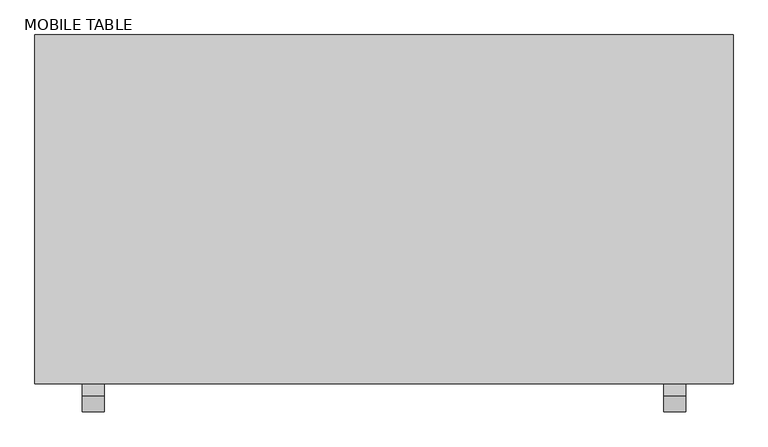
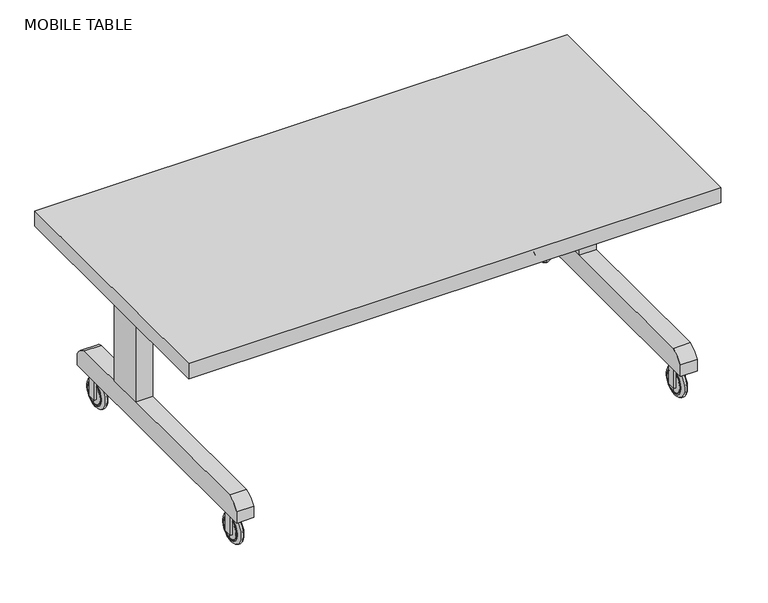
"""IFC4 building model written with IfcOpenShell, lengths in millimetres: proxy geometry, MOBILE TABLE."""

from ifc_helpers import new_model, si_unit, point, frame, frame_2d, origin, place, context, project, spatial, polyline, circle_curve, ellipse_curve, trimmed, segment, composite_curve, outline, extrude, source, transform, mapped, element, save
from ifc_brep_helpers import plane_surface, revolved_surface, advanced_brep


def mobile_table_e47c9fc5(model_context):
    return source(origin(), model_context, "Body", "SolidModel", [
        extrude(outline(polyline([(284.5246761, -5.5939824), (284.5246761, -132.5939824), (226.5605315, -132.5939824), (226.5605315, -5.5939824), (284.5246761, -5.5939824)])), frame((0.0, 0.0, 196.9224342), z_axis=(0.0, 0.0, 1.0), x_axis=(1.0, 0.0, 0.0)), (0.0, 0.0, 1.0), 371.1429789),
        extrude(outline(polyline([(1808.5781928, -5.5939824), (1808.5781928, -132.5939824), (1750.6140482, -132.5939824), (1750.6140482, -5.5939824), (1808.5781928, -5.5939824)])), frame((0.0, 0.0, 196.9224342), z_axis=(0.0, 0.0, 1.0), x_axis=(1.0, 0.0, 0.0)), (0.0, 0.0, 1.0), 371.1429789),
        extrude(outline(composite_curve([segment(polyline([(216.0169439, 120.7224342), (-733.4720269, 120.7224342), (-733.4720269, 161.9653123)]), True, "CONTINUOUS"), segment(trimmed(circle_curve(frame_2d((-668.627118, 126.366821)), 73.973744), [point((-733.4720269, 161.9653123))], [point((-690.8536842, 196.9224342))], False, "CARTESIAN"), True, "CONTINUOUS"), segment(polyline([(-690.8536842, 196.9224342), (173.3986011, 196.9224342)]), True, "CONTINUOUS"), segment(trimmed(circle_curve(frame_2d((151.1720349, 126.366821)), 73.973744), [point((173.3986011, 196.9224342))], [point((216.0169439, 161.9653123))], False, "CARTESIAN"), True, "CONTINUOUS"), segment(polyline([(216.0169439, 161.9653123), (216.0169439, 120.7224342)]), True, "CONTINUOUS")], self_intersect=False)), frame((226.5605315, 0.0, 0.0), z_axis=(1.0, 0.0, 0.0), x_axis=(0.0, 1.0, 0.0)), (0.0, 0.0, 1.0), 57.9641446),
        extrude(outline(composite_curve([segment(polyline([(216.0169439, 120.7224342), (-733.4720269, 120.7224342), (-733.4720269, 161.9653123)]), True, "CONTINUOUS"), segment(trimmed(circle_curve(frame_2d((-668.627118, 126.366821)), 73.973744), [point((-733.4720269, 161.9653123))], [point((-690.8536842, 196.9224342))], False, "CARTESIAN"), True, "CONTINUOUS"), segment(polyline([(-690.8536842, 196.9224342), (173.3986011, 196.9224342)]), True, "CONTINUOUS"), segment(trimmed(circle_curve(frame_2d((151.1720349, 126.366821)), 73.973744), [point((173.3986011, 196.9224342))], [point((216.0169439, 161.9653123))], False, "CARTESIAN"), True, "CONTINUOUS"), segment(polyline([(216.0169439, 161.9653123), (216.0169439, 120.7224342)]), True, "CONTINUOUS")], self_intersect=False)), frame((1750.6140482, 0.0, 0.0), z_axis=(1.0, 0.0, 0.0), x_axis=(0.0, 1.0, 0.0)), (0.0, 0.0, 1.0), 57.9641446),
        extrude(outline(polyline([(1830.3693622, 101.7169439), (1830.3693622, -507.8830561), (204.7693622, -507.8830561), (204.7693622, 101.7169439), (1830.3693622, 101.7169439)])), frame((0.0, 0.0, 568.0654131), z_axis=(0.0, 0.0, 1.0), x_axis=(1.0, 0.0, 0.0)), (0.0, 0.0, 1.0), 76.2),
        extrude(outline(composite_curve([segment(polyline([(40.4886322, 1759.9334156), (40.4886322, 1766.2834156), (90.7346928, 1766.2834156)]), True, "CONTINUOUS"), segment(trimmed(circle_curve(frame_2d((90.7346928, 1767.7205501)), 1.4371345), [point((90.7346928, 1766.2834156))], [point((92.1718273, 1767.7205501))], True, "CARTESIAN"), True, "CONTINUOUS"), segment(trimmed(circle_curve(frame_2d((95.1971093, 1780.0019459)), 12.6485183), [point((92.1718273, 1767.7205501))], [point((107.8391155, 1779.5961205))], True, "CARTESIAN"), True, "CONTINUOUS"), segment(trimmed(circle_curve(frame_2d((95.3224342, 1776.0070199)), 13.0210965), [point((107.8391155, 1779.5961205))], [point((95.3224342, 1789.0281164))], True, "CARTESIAN"), True, "CONTINUOUS"), segment(polyline([(95.3224342, 1789.0281164), (40.4886322, 1789.0281164), (40.4886322, 1798.0334156), (120.7224342, 1798.0334156), (120.7224342, 1759.9334156), (40.4886322, 1759.9334156)]), True, "CONTINUOUS")], self_intersect=False)), frame((0.0, -679.3330561, 0.0), z_axis=(0.0, 1.0, 0.0), x_axis=(0.0, 0.0, 1.0)), (0.0, 0.0, 1.0), 30.1894562),
        advanced_brep(
        [(1767.7205501, -665.8414299, 13.5564837), (1767.7205501, -665.8414299, 95.7752557), (1767.7205501, -665.8414299, 92.1718273), (1767.7205501, -665.8414299, 17.1599122), (1774.2176202, -665.8414299, 2.6028962), (1774.2176202, -665.8414299, 106.7288433), (1782.2473592, -665.8414299, 2.6028962), (1782.2473592, -665.8414299, 106.7288433), (1766.2834156, -665.8414299, 18.5970467), (1766.2834156, -665.8414299, 90.7346928), (1766.2834156, -665.8414299, 54.6658697), (1788.7444294, -665.8414299, 13.5564837), (1788.7444294, -665.8414299, 95.7752557), (1788.7444294, -665.8414299, 54.6658697)],
        [
            (0, 1, circle_curve(frame((1767.7205501, -665.8414299, 54.6658697), z_axis=(-1.0, 0.0, 0.0), x_axis=(0.0, 0.0, 1.0)), 41.109386)),
            (1, 2),
            (2, 3, circle_curve(frame((1767.7205501, -665.8414299, 54.6658697), z_axis=(1.0, 0.0, 0.0), x_axis=(0.0, 0.0, 1.0)), 37.5059576)),
            (3, 0),
            (1, 0, circle_curve(frame((1767.7205501, -665.8414299, 54.6658697), z_axis=(-1.0, 0.0, 0.0), x_axis=(0.0, 0.0, 1.0)), 41.109386)),
            (3, 2, circle_curve(frame((1767.7205501, -665.8414299, 54.6658697), z_axis=(1.0, 0.0, 0.0), x_axis=(0.0, 0.0, 1.0)), 37.5059576)),
            (4, 5, circle_curve(frame((1774.2176202, -665.8414299, 54.6658697), z_axis=(-1.0, 0.0, 0.0), x_axis=(0.0, 0.0, 1.0)), 52.0629735)),
            (5, 1, circle_curve(frame((1780.202561, -665.8414299, 95.7752557), z_axis=(0.0, -1.0, 0.0), x_axis=(-1.0, 0.0, 0.0)), 12.4820108)),
            (0, 4, circle_curve(frame((1780.202561, -665.8414299, 13.5564837), z_axis=(0.0, -1.0, 0.0), x_axis=(-1.0, 0.0, 0.0)), 12.4820108)),
            (5, 4, circle_curve(frame((1774.2176202, -665.8414299, 54.6658697), z_axis=(-1.0, 0.0, 0.0), x_axis=(0.0, 0.0, 1.0)), 52.0629735)),
            (6, 7, circle_curve(frame((1782.2473592, -665.8414299, 54.6658697), z_axis=(-1.0, 0.0, 0.0), x_axis=(0.0, 0.0, 1.0)), 52.0629735)),
            (7, 5, circle_curve(frame((1778.2324897, -665.8414299, 98.8982307), z_axis=(0.0, -1.0, 0.0), x_axis=(-1.0, 0.0, 0.0)), 8.7998676)),
            (4, 6, circle_curve(frame((1778.2324897, -665.8414299, 10.4335088), z_axis=(0.0, -1.0, 0.0), x_axis=(-1.0, 0.0, 0.0)), 8.7998676)),
            (7, 6, circle_curve(frame((1782.2473592, -665.8414299, 54.6658697), z_axis=(-1.0, 0.0, 0.0), x_axis=(0.0, 0.0, 1.0)), 52.0629735)),
            (8, 9, circle_curve(frame((1766.2834156, -665.8414299, 54.6658697), z_axis=(-1.0, 0.0, 0.0), x_axis=(0.0, 0.0, 1.0)), 36.068823)),
            (9, 10),
            (10, 8),
            (9, 8, circle_curve(frame((1766.2834156, -665.8414299, 54.6658697), z_axis=(-1.0, 0.0, 0.0), x_axis=(0.0, 0.0, 1.0)), 36.068823)),
            (2, 9, circle_curve(frame((1768.5698615, -665.8414299, 89.8853814), z_axis=(0.0, -1.0, 0.0), x_axis=(-1.0, 0.0, 0.0)), 2.4390909)),
            (8, 3, circle_curve(frame((1768.5698615, -665.8414299, 19.446358), z_axis=(0.0, -1.0, 0.0), x_axis=(-1.0, 0.0, 0.0)), 2.4390909)),
            (11, 12, circle_curve(frame((1788.7444294, -665.8414299, 54.6658697), z_axis=(-1.0, 0.0, 0.0), x_axis=(0.0, 0.0, 1.0)), 41.109386)),
            (12, 7, circle_curve(frame((1776.2624185, -665.8414299, 95.7752557), z_axis=(0.0, -1.0, 0.0), x_axis=(-1.0, 0.0, 0.0)), 12.4820108)),
            (6, 11, circle_curve(frame((1776.2624185, -665.8414299, 13.5564837), z_axis=(0.0, -1.0, 0.0), x_axis=(-1.0, 0.0, 0.0)), 12.4820108)),
            (12, 11, circle_curve(frame((1788.7444294, -665.8414299, 54.6658697), z_axis=(-1.0, 0.0, 0.0), x_axis=(0.0, 0.0, 1.0)), 41.109386)),
            (13, 12),
            (11, 13),
        ],
        [
            plane_surface(frame((1767.7205501, -665.8414299, 54.6658697), z_axis=(-1.0, 0.0, 0.0), x_axis=(0.0, 0.0, 1.0))),
            revolved_surface(trimmed(ellipse_curve(frame((1780.202561, -665.8414299, 95.7752557), z_axis=(0.0, 1.0, 0.0), x_axis=(-1.0, 0.0, 0.0)), 12.4820108, 12.4820108), [point((1767.7205501, -665.8414299, 95.7752557))], [point((1774.2176202, -665.8414299, 106.7288433))], True, "CARTESIAN"), (1785.5276168, -665.8414299, 54.6658697), (1.0, 0.0, 0.0)),
            revolved_surface(trimmed(ellipse_curve(frame((1778.2324897, -665.8414299, 98.8982307), z_axis=(0.0, 1.0, 0.0), x_axis=(-1.0, 0.0, 0.0)), 8.7998676, 8.7998676), [point((1774.2176202, -665.8414299, 106.7288433))], [point((1782.2473592, -665.8414299, 106.7288433))], True, "CARTESIAN"), (1785.5276168, -665.8414299, 54.6658697), (1.0, 0.0, 0.0)),
            plane_surface(frame((1766.2834156, -665.8414299, 54.6658697), z_axis=(-1.0, 0.0, 0.0), x_axis=(0.0, 0.0, 1.0))),
            revolved_surface(trimmed(ellipse_curve(frame((1768.5698615, -665.8414299, 89.8853814), z_axis=(0.0, 1.0, 0.0), x_axis=(-1.0, 0.0, 0.0)), 2.4390909, 2.4390909), [point((1766.2834156, -665.8414299, 90.7346928))], [point((1767.7205501, -665.8414299, 92.1718273))], True, "CARTESIAN"), (1785.5276168, -665.8414299, 54.6658697), (1.0, 0.0, 0.0)),
            revolved_surface(trimmed(ellipse_curve(frame((1776.2624185, -665.8414299, 95.7752557), z_axis=(0.0, 1.0, 0.0), x_axis=(-1.0, 0.0, 0.0)), 12.4820108, 12.4820108), [point((1782.2473592, -665.8414299, 106.7288433))], [point((1788.7444294, -665.8414299, 95.7752557))], True, "CARTESIAN"), (1785.5276168, -665.8414299, 54.6658697), (1.0, 0.0, 0.0)),
            plane_surface(frame((1788.7444294, -665.8414299, 54.6658697), z_axis=(1.0, 0.0, 0.0), x_axis=(0.0, 0.0, 1.0))),
        ],
        [
            (0, [[1, 2, 3, 4]]),
            (0, [[5, -4, 6, -2]]),
            (1, [[7, 8, -1, 9]]),
            (1, [[10, -9, -5, -8]]),
            (2, [[11, 12, -7, 13]]),
            (2, [[14, -13, -10, -12]]),
            (3, [[15, 16, 17]]),
            (3, [[18, -17, -16]]),
            (4, [[-3, 19, -15, 20]]),
            (4, [[-6, -20, -18, -19]]),
            (5, [[21, 22, -11, 23]]),
            (5, [[24, -23, -14, -22]]),
            (6, [[25, -21, 26]]),
            (6, [[-26, -24, -25]]),
        ],
    ),
        extrude(outline(composite_curve([segment(polyline([(40.4886322, 1759.9334156), (40.4886322, 1766.2834156), (90.7346928, 1766.2834156)]), True, "CONTINUOUS"), segment(trimmed(circle_curve(frame_2d((90.7346928, 1767.7205501)), 1.4371345), [point((90.7346928, 1766.2834156))], [point((92.1718273, 1767.7205501))], True, "CARTESIAN"), True, "CONTINUOUS"), segment(trimmed(circle_curve(frame_2d((95.1971093, 1780.0019459)), 12.6485183), [point((92.1718273, 1767.7205501))], [point((107.8391155, 1779.5961205))], True, "CARTESIAN"), True, "CONTINUOUS"), segment(trimmed(circle_curve(frame_2d((95.3224342, 1776.0070199)), 13.0210965), [point((107.8391155, 1779.5961205))], [point((95.3224342, 1789.0281164))], True, "CARTESIAN"), True, "CONTINUOUS"), segment(polyline([(95.3224342, 1789.0281164), (40.4886322, 1789.0281164), (40.4886322, 1798.0334156), (120.7224342, 1798.0334156), (120.7224342, 1759.9334156), (40.4886322, 1759.9334156)]), True, "CONTINUOUS")], self_intersect=False)), frame((0.0, 129.8981041, 0.0), z_axis=(0.0, 1.0, 0.0), x_axis=(0.0, 0.0, 1.0)), (0.0, 0.0, 1.0), 30.1894562),
        advanced_brep(
        [(1767.7205501, 143.3897303, 13.5564837), (1767.7205501, 143.3897303, 95.7752557), (1767.7205501, 143.3897303, 92.1718273), (1767.7205501, 143.3897303, 17.1599122), (1774.2176202, 143.3897303, 2.6028962), (1774.2176202, 143.3897303, 106.7288433), (1782.2473592, 143.3897303, 2.6028962), (1782.2473592, 143.3897303, 106.7288433), (1766.2834156, 143.3897303, 18.5970467), (1766.2834156, 143.3897303, 90.7346928), (1766.2834156, 143.3897303, 54.6658697), (1788.7444294, 143.3897303, 13.5564837), (1788.7444294, 143.3897303, 95.7752557), (1788.7444294, 143.3897303, 54.6658697)],
        [
            (0, 1, circle_curve(frame((1767.7205501, 143.3897303, 54.6658697), z_axis=(-1.0, 0.0, 0.0), x_axis=(0.0, 0.0, 1.0)), 41.109386)),
            (1, 2),
            (2, 3, circle_curve(frame((1767.7205501, 143.3897303, 54.6658697), z_axis=(1.0, 0.0, 0.0), x_axis=(0.0, 0.0, 1.0)), 37.5059576)),
            (3, 0),
            (1, 0, circle_curve(frame((1767.7205501, 143.3897303, 54.6658697), z_axis=(-1.0, 0.0, 0.0), x_axis=(0.0, 0.0, 1.0)), 41.109386)),
            (3, 2, circle_curve(frame((1767.7205501, 143.3897303, 54.6658697), z_axis=(1.0, 0.0, 0.0), x_axis=(0.0, 0.0, 1.0)), 37.5059576)),
            (4, 5, circle_curve(frame((1774.2176202, 143.3897303, 54.6658697), z_axis=(-1.0, 0.0, 0.0), x_axis=(0.0, 0.0, 1.0)), 52.0629735)),
            (5, 1, circle_curve(frame((1780.202561, 143.3897303, 95.7752557), z_axis=(0.0, -1.0, 0.0), x_axis=(-1.0, 0.0, 0.0)), 12.4820108)),
            (0, 4, circle_curve(frame((1780.202561, 143.3897303, 13.5564837), z_axis=(0.0, -1.0, 0.0), x_axis=(-1.0, 0.0, 0.0)), 12.4820108)),
            (5, 4, circle_curve(frame((1774.2176202, 143.3897303, 54.6658697), z_axis=(-1.0, 0.0, 0.0), x_axis=(0.0, 0.0, 1.0)), 52.0629735)),
            (6, 7, circle_curve(frame((1782.2473592, 143.3897303, 54.6658697), z_axis=(-1.0, 0.0, 0.0), x_axis=(0.0, 0.0, 1.0)), 52.0629735)),
            (7, 5, circle_curve(frame((1778.2324897, 143.3897303, 98.8982307), z_axis=(0.0, -1.0, 0.0), x_axis=(-1.0, 0.0, 0.0)), 8.7998676)),
            (4, 6, circle_curve(frame((1778.2324897, 143.3897303, 10.4335088), z_axis=(0.0, -1.0, 0.0), x_axis=(-1.0, 0.0, 0.0)), 8.7998676)),
            (7, 6, circle_curve(frame((1782.2473592, 143.3897303, 54.6658697), z_axis=(-1.0, 0.0, 0.0), x_axis=(0.0, 0.0, 1.0)), 52.0629735)),
            (8, 9, circle_curve(frame((1766.2834156, 143.3897303, 54.6658697), z_axis=(-1.0, 0.0, 0.0), x_axis=(0.0, 0.0, 1.0)), 36.068823)),
            (9, 10),
            (10, 8),
            (9, 8, circle_curve(frame((1766.2834156, 143.3897303, 54.6658697), z_axis=(-1.0, 0.0, 0.0), x_axis=(0.0, 0.0, 1.0)), 36.068823)),
            (2, 9, circle_curve(frame((1768.5698615, 143.3897303, 89.8853814), z_axis=(0.0, -1.0, 0.0), x_axis=(-1.0, 0.0, 0.0)), 2.4390909)),
            (8, 3, circle_curve(frame((1768.5698615, 143.3897303, 19.446358), z_axis=(0.0, -1.0, 0.0), x_axis=(-1.0, 0.0, 0.0)), 2.4390909)),
            (11, 12, circle_curve(frame((1788.7444294, 143.3897303, 54.6658697), z_axis=(-1.0, 0.0, 0.0), x_axis=(0.0, 0.0, 1.0)), 41.109386)),
            (12, 7, circle_curve(frame((1776.2624185, 143.3897303, 95.7752557), z_axis=(0.0, -1.0, 0.0), x_axis=(-1.0, 0.0, 0.0)), 12.4820108)),
            (6, 11, circle_curve(frame((1776.2624185, 143.3897303, 13.5564837), z_axis=(0.0, -1.0, 0.0), x_axis=(-1.0, 0.0, 0.0)), 12.4820108)),
            (12, 11, circle_curve(frame((1788.7444294, 143.3897303, 54.6658697), z_axis=(-1.0, 0.0, 0.0), x_axis=(0.0, 0.0, 1.0)), 41.109386)),
            (13, 12),
            (11, 13),
        ],
        [
            plane_surface(frame((1767.7205501, 143.3897303, 54.6658697), z_axis=(-1.0, 0.0, 0.0), x_axis=(0.0, 0.0, 1.0))),
            revolved_surface(trimmed(ellipse_curve(frame((1780.202561, 143.3897303, 95.7752557), z_axis=(0.0, 1.0, 0.0), x_axis=(-1.0, 0.0, 0.0)), 12.4820108, 12.4820108), [point((1767.7205501, 143.3897303, 95.7752557))], [point((1774.2176202, 143.3897303, 106.7288433))], True, "CARTESIAN"), (1785.5276168, 143.3897303, 54.6658697), (1.0, 0.0, 0.0)),
            revolved_surface(trimmed(ellipse_curve(frame((1778.2324897, 143.3897303, 98.8982307), z_axis=(0.0, 1.0, 0.0), x_axis=(-1.0, 0.0, 0.0)), 8.7998676, 8.7998676), [point((1774.2176202, 143.3897303, 106.7288433))], [point((1782.2473592, 143.3897303, 106.7288433))], True, "CARTESIAN"), (1785.5276168, 143.3897303, 54.6658697), (1.0, 0.0, 0.0)),
            plane_surface(frame((1766.2834156, 143.3897303, 54.6658697), z_axis=(-1.0, 0.0, 0.0), x_axis=(0.0, 0.0, 1.0))),
            revolved_surface(trimmed(ellipse_curve(frame((1768.5698615, 143.3897303, 89.8853814), z_axis=(0.0, 1.0, 0.0), x_axis=(-1.0, 0.0, 0.0)), 2.4390909, 2.4390909), [point((1766.2834156, 143.3897303, 90.7346928))], [point((1767.7205501, 143.3897303, 92.1718273))], True, "CARTESIAN"), (1785.5276168, 143.3897303, 54.6658697), (1.0, 0.0, 0.0)),
            revolved_surface(trimmed(ellipse_curve(frame((1776.2624185, 143.3897303, 95.7752557), z_axis=(0.0, 1.0, 0.0), x_axis=(-1.0, 0.0, 0.0)), 12.4820108, 12.4820108), [point((1782.2473592, 143.3897303, 106.7288433))], [point((1788.7444294, 143.3897303, 95.7752557))], True, "CARTESIAN"), (1785.5276168, 143.3897303, 54.6658697), (1.0, 0.0, 0.0)),
            plane_surface(frame((1788.7444294, 143.3897303, 54.6658697), z_axis=(1.0, 0.0, 0.0), x_axis=(0.0, 0.0, 1.0))),
        ],
        [
            (0, [[1, 2, 3, 4]]),
            (0, [[5, -4, 6, -2]]),
            (1, [[7, 8, -1, 9]]),
            (1, [[10, -9, -5, -8]]),
            (2, [[11, 12, -7, 13]]),
            (2, [[14, -13, -10, -12]]),
            (3, [[15, 16, 17]]),
            (3, [[18, -17, -16]]),
            (4, [[-3, 19, -15, 20]]),
            (4, [[-6, -20, -18, -19]]),
            (5, [[21, 22, -11, 23]]),
            (5, [[24, -23, -14, -22]]),
            (6, [[25, -21, 26]]),
            (6, [[-26, -24, -25]]),
        ],
    ),
        extrude(outline(composite_curve([segment(polyline([(40.4886322, 235.8798989), (40.4886322, 242.2298989), (90.7346928, 242.2298989)]), True, "CONTINUOUS"), segment(trimmed(circle_curve(frame_2d((90.7346928, 243.6670335)), 1.4371345), [point((90.7346928, 242.2298989))], [point((92.1718273, 243.6670335))], True, "CARTESIAN"), True, "CONTINUOUS"), segment(trimmed(circle_curve(frame_2d((95.1971093, 255.9484293)), 12.6485183), [point((92.1718273, 243.6670335))], [point((107.8391155, 255.5426038))], True, "CARTESIAN"), True, "CONTINUOUS"), segment(trimmed(circle_curve(frame_2d((95.3224342, 251.9535032)), 13.0210965), [point((107.8391155, 255.5426038))], [point((95.3224342, 264.9745997))], True, "CARTESIAN"), True, "CONTINUOUS"), segment(polyline([(95.3224342, 264.9745997), (40.4886322, 264.9745997), (40.4886322, 273.9798989), (120.7224342, 273.9798989), (120.7224342, 235.8798989), (40.4886322, 235.8798989)]), True, "CONTINUOUS")], self_intersect=False)), frame((0.0, -679.3330561, 0.0), z_axis=(0.0, 1.0, 0.0), x_axis=(0.0, 0.0, 1.0)), (0.0, 0.0, 1.0), 30.1894562),
        advanced_brep(
        [(243.6670335, -665.8414299, 13.5564837), (243.6670335, -665.8414299, 95.7752557), (243.6670335, -665.8414299, 92.1718273), (243.6670335, -665.8414299, 17.1599122), (250.1641036, -665.8414299, 2.6028962), (250.1641036, -665.8414299, 106.7288433), (258.1938426, -665.8414299, 2.6028962), (258.1938426, -665.8414299, 106.7288433), (242.2298989, -665.8414299, 18.5970467), (242.2298989, -665.8414299, 90.7346928), (242.2298989, -665.8414299, 54.6658697), (264.6909127, -665.8414299, 13.5564837), (264.6909127, -665.8414299, 95.7752557), (264.6909127, -665.8414299, 54.6658697)],
        [
            (0, 1, circle_curve(frame((243.6670335, -665.8414299, 54.6658697), z_axis=(-1.0, 0.0, 0.0), x_axis=(0.0, 0.0, 1.0)), 41.109386)),
            (1, 2),
            (2, 3, circle_curve(frame((243.6670335, -665.8414299, 54.6658697), z_axis=(1.0, 0.0, 0.0), x_axis=(0.0, 0.0, 1.0)), 37.5059576)),
            (3, 0),
            (1, 0, circle_curve(frame((243.6670335, -665.8414299, 54.6658697), z_axis=(-1.0, 0.0, 0.0), x_axis=(0.0, 0.0, 1.0)), 41.109386)),
            (3, 2, circle_curve(frame((243.6670335, -665.8414299, 54.6658697), z_axis=(1.0, 0.0, 0.0), x_axis=(0.0, 0.0, 1.0)), 37.5059576)),
            (4, 5, circle_curve(frame((250.1641036, -665.8414299, 54.6658697), z_axis=(-1.0, 0.0, 0.0), x_axis=(0.0, 0.0, 1.0)), 52.0629735)),
            (5, 1, circle_curve(frame((256.1490443, -665.8414299, 95.7752557), z_axis=(0.0, -1.0, 0.0), x_axis=(-1.0, 0.0, 0.0)), 12.4820108)),
            (0, 4, circle_curve(frame((256.1490443, -665.8414299, 13.5564837), z_axis=(0.0, -1.0, 0.0), x_axis=(-1.0, 0.0, 0.0)), 12.4820108)),
            (5, 4, circle_curve(frame((250.1641036, -665.8414299, 54.6658697), z_axis=(-1.0, 0.0, 0.0), x_axis=(0.0, 0.0, 1.0)), 52.0629735)),
            (6, 7, circle_curve(frame((258.1938426, -665.8414299, 54.6658697), z_axis=(-1.0, 0.0, 0.0), x_axis=(0.0, 0.0, 1.0)), 52.0629735)),
            (7, 5, circle_curve(frame((254.1789731, -665.8414299, 98.8982307), z_axis=(0.0, -1.0, 0.0), x_axis=(-1.0, 0.0, 0.0)), 8.7998676)),
            (4, 6, circle_curve(frame((254.1789731, -665.8414299, 10.4335088), z_axis=(0.0, -1.0, 0.0), x_axis=(-1.0, 0.0, 0.0)), 8.7998676)),
            (7, 6, circle_curve(frame((258.1938426, -665.8414299, 54.6658697), z_axis=(-1.0, 0.0, 0.0), x_axis=(0.0, 0.0, 1.0)), 52.0629735)),
            (8, 9, circle_curve(frame((242.2298989, -665.8414299, 54.6658697), z_axis=(-1.0, 0.0, 0.0), x_axis=(0.0, 0.0, 1.0)), 36.068823)),
            (9, 10),
            (10, 8),
            (9, 8, circle_curve(frame((242.2298989, -665.8414299, 54.6658697), z_axis=(-1.0, 0.0, 0.0), x_axis=(0.0, 0.0, 1.0)), 36.068823)),
            (2, 9, circle_curve(frame((244.5163448, -665.8414299, 89.8853814), z_axis=(0.0, -1.0, 0.0), x_axis=(-1.0, 0.0, 0.0)), 2.4390909)),
            (8, 3, circle_curve(frame((244.5163448, -665.8414299, 19.446358), z_axis=(0.0, -1.0, 0.0), x_axis=(-1.0, 0.0, 0.0)), 2.4390909)),
            (11, 12, circle_curve(frame((264.6909127, -665.8414299, 54.6658697), z_axis=(-1.0, 0.0, 0.0), x_axis=(0.0, 0.0, 1.0)), 41.109386)),
            (12, 7, circle_curve(frame((252.2089019, -665.8414299, 95.7752557), z_axis=(0.0, -1.0, 0.0), x_axis=(-1.0, 0.0, 0.0)), 12.4820108)),
            (6, 11, circle_curve(frame((252.2089019, -665.8414299, 13.5564837), z_axis=(0.0, -1.0, 0.0), x_axis=(-1.0, 0.0, 0.0)), 12.4820108)),
            (12, 11, circle_curve(frame((264.6909127, -665.8414299, 54.6658697), z_axis=(-1.0, 0.0, 0.0), x_axis=(0.0, 0.0, 1.0)), 41.109386)),
            (13, 12),
            (11, 13),
        ],
        [
            plane_surface(frame((243.6670335, -665.8414299, 54.6658697), z_axis=(-1.0, 0.0, 0.0), x_axis=(0.0, 0.0, 1.0))),
            revolved_surface(trimmed(ellipse_curve(frame((256.1490443, -665.8414299, 95.7752557), z_axis=(0.0, 1.0, 0.0), x_axis=(-1.0, 0.0, 0.0)), 12.4820108, 12.4820108), [point((243.6670335, -665.8414299, 95.7752557))], [point((250.1641036, -665.8414299, 106.7288433))], True, "CARTESIAN"), (261.4741002, -665.8414299, 54.6658697), (1.0, 0.0, 0.0)),
            revolved_surface(trimmed(ellipse_curve(frame((254.1789731, -665.8414299, 98.8982307), z_axis=(0.0, 1.0, 0.0), x_axis=(-1.0, 0.0, 0.0)), 8.7998676, 8.7998676), [point((250.1641036, -665.8414299, 106.7288433))], [point((258.1938426, -665.8414299, 106.7288433))], True, "CARTESIAN"), (261.4741002, -665.8414299, 54.6658697), (1.0, 0.0, 0.0)),
            plane_surface(frame((242.2298989, -665.8414299, 54.6658697), z_axis=(-1.0, 0.0, 0.0), x_axis=(0.0, 0.0, 1.0))),
            revolved_surface(trimmed(ellipse_curve(frame((244.5163448, -665.8414299, 89.8853814), z_axis=(0.0, 1.0, 0.0), x_axis=(-1.0, 0.0, 0.0)), 2.4390909, 2.4390909), [point((242.2298989, -665.8414299, 90.7346928))], [point((243.6670335, -665.8414299, 92.1718273))], True, "CARTESIAN"), (261.4741002, -665.8414299, 54.6658697), (1.0, 0.0, 0.0)),
            revolved_surface(trimmed(ellipse_curve(frame((252.2089019, -665.8414299, 95.7752557), z_axis=(0.0, 1.0, 0.0), x_axis=(-1.0, 0.0, 0.0)), 12.4820108, 12.4820108), [point((258.1938426, -665.8414299, 106.7288433))], [point((264.6909127, -665.8414299, 95.7752557))], True, "CARTESIAN"), (261.4741002, -665.8414299, 54.6658697), (1.0, 0.0, 0.0)),
            plane_surface(frame((264.6909127, -665.8414299, 54.6658697), z_axis=(1.0, 0.0, 0.0), x_axis=(0.0, 0.0, 1.0))),
        ],
        [
            (0, [[1, 2, 3, 4]]),
            (0, [[5, -4, 6, -2]]),
            (1, [[7, 8, -1, 9]]),
            (1, [[10, -9, -5, -8]]),
            (2, [[11, 12, -7, 13]]),
            (2, [[14, -13, -10, -12]]),
            (3, [[15, 16, 17]]),
            (3, [[18, -17, -16]]),
            (4, [[-3, 19, -15, 20]]),
            (4, [[-6, -20, -18, -19]]),
            (5, [[21, 22, -11, 23]]),
            (5, [[24, -23, -14, -22]]),
            (6, [[25, -21, 26]]),
            (6, [[-26, -24, -25]]),
        ],
    ),
        extrude(outline(composite_curve([segment(polyline([(40.4886322, 235.8798989), (40.4886322, 242.2298989), (90.7346928, 242.2298989)]), True, "CONTINUOUS"), segment(trimmed(circle_curve(frame_2d((90.7346928, 243.6670335)), 1.4371345), [point((90.7346928, 242.2298989))], [point((92.1718273, 243.6670335))], True, "CARTESIAN"), True, "CONTINUOUS"), segment(trimmed(circle_curve(frame_2d((95.1971093, 255.9484293)), 12.6485183), [point((92.1718273, 243.6670335))], [point((107.8391155, 255.5426038))], True, "CARTESIAN"), True, "CONTINUOUS"), segment(trimmed(circle_curve(frame_2d((95.3224342, 251.9535032)), 13.0210965), [point((107.8391155, 255.5426038))], [point((95.3224342, 264.9745997))], True, "CARTESIAN"), True, "CONTINUOUS"), segment(polyline([(95.3224342, 264.9745997), (40.4886322, 264.9745997), (40.4886322, 273.9798989), (120.7224342, 273.9798989), (120.7224342, 235.8798989), (40.4886322, 235.8798989)]), True, "CONTINUOUS")], self_intersect=False)), frame((0.0, 129.8981041, 0.0), z_axis=(0.0, 1.0, 0.0), x_axis=(0.0, 0.0, 1.0)), (0.0, 0.0, 1.0), 30.1894562),
        advanced_brep(
        [(243.6670335, 143.3897303, 13.5564837), (243.6670335, 143.3897303, 95.7752557), (243.6670335, 143.3897303, 92.1718273), (243.6670335, 143.3897303, 17.1599122), (250.1641036, 143.3897303, 2.6028962), (250.1641036, 143.3897303, 106.7288433), (258.1938426, 143.3897303, 2.6028962), (258.1938426, 143.3897303, 106.7288433), (242.2298989, 143.3897303, 18.5970467), (242.2298989, 143.3897303, 90.7346928), (242.2298989, 143.3897303, 54.6658697), (264.6909127, 143.3897303, 13.5564837), (264.6909127, 143.3897303, 95.7752557), (264.6909127, 143.3897303, 54.6658697)],
        [
            (0, 1, circle_curve(frame((243.6670335, 143.3897303, 54.6658697), z_axis=(-1.0, 0.0, 0.0), x_axis=(0.0, 0.0, 1.0)), 41.109386)),
            (1, 2),
            (2, 3, circle_curve(frame((243.6670335, 143.3897303, 54.6658697), z_axis=(1.0, 0.0, 0.0), x_axis=(0.0, 0.0, 1.0)), 37.5059576)),
            (3, 0),
            (1, 0, circle_curve(frame((243.6670335, 143.3897303, 54.6658697), z_axis=(-1.0, 0.0, 0.0), x_axis=(0.0, 0.0, 1.0)), 41.109386)),
            (3, 2, circle_curve(frame((243.6670335, 143.3897303, 54.6658697), z_axis=(1.0, 0.0, 0.0), x_axis=(0.0, 0.0, 1.0)), 37.5059576)),
            (4, 5, circle_curve(frame((250.1641036, 143.3897303, 54.6658697), z_axis=(-1.0, 0.0, 0.0), x_axis=(0.0, 0.0, 1.0)), 52.0629735)),
            (5, 1, circle_curve(frame((256.1490443, 143.3897303, 95.7752557), z_axis=(0.0, -1.0, 0.0), x_axis=(-1.0, 0.0, 0.0)), 12.4820108)),
            (0, 4, circle_curve(frame((256.1490443, 143.3897303, 13.5564837), z_axis=(0.0, -1.0, 0.0), x_axis=(-1.0, 0.0, 0.0)), 12.4820108)),
            (5, 4, circle_curve(frame((250.1641036, 143.3897303, 54.6658697), z_axis=(-1.0, 0.0, 0.0), x_axis=(0.0, 0.0, 1.0)), 52.0629735)),
            (6, 7, circle_curve(frame((258.1938426, 143.3897303, 54.6658697), z_axis=(-1.0, 0.0, 0.0), x_axis=(0.0, 0.0, 1.0)), 52.0629735)),
            (7, 5, circle_curve(frame((254.1789731, 143.3897303, 98.8982307), z_axis=(0.0, -1.0, 0.0), x_axis=(-1.0, 0.0, 0.0)), 8.7998676)),
            (4, 6, circle_curve(frame((254.1789731, 143.3897303, 10.4335088), z_axis=(0.0, -1.0, 0.0), x_axis=(-1.0, 0.0, 0.0)), 8.7998676)),
            (7, 6, circle_curve(frame((258.1938426, 143.3897303, 54.6658697), z_axis=(-1.0, 0.0, 0.0), x_axis=(0.0, 0.0, 1.0)), 52.0629735)),
            (8, 9, circle_curve(frame((242.2298989, 143.3897303, 54.6658697), z_axis=(-1.0, 0.0, 0.0), x_axis=(0.0, 0.0, 1.0)), 36.068823)),
            (9, 10),
            (10, 8),
            (9, 8, circle_curve(frame((242.2298989, 143.3897303, 54.6658697), z_axis=(-1.0, 0.0, 0.0), x_axis=(0.0, 0.0, 1.0)), 36.068823)),
            (2, 9, circle_curve(frame((244.5163448, 143.3897303, 89.8853814), z_axis=(0.0, -1.0, 0.0), x_axis=(-1.0, 0.0, 0.0)), 2.4390909)),
            (8, 3, circle_curve(frame((244.5163448, 143.3897303, 19.446358), z_axis=(0.0, -1.0, 0.0), x_axis=(-1.0, 0.0, 0.0)), 2.4390909)),
            (11, 12, circle_curve(frame((264.6909127, 143.3897303, 54.6658697), z_axis=(-1.0, 0.0, 0.0), x_axis=(0.0, 0.0, 1.0)), 41.109386)),
            (12, 7, circle_curve(frame((252.2089019, 143.3897303, 95.7752557), z_axis=(0.0, -1.0, 0.0), x_axis=(-1.0, 0.0, 0.0)), 12.4820108)),
            (6, 11, circle_curve(frame((252.2089019, 143.3897303, 13.5564837), z_axis=(0.0, -1.0, 0.0), x_axis=(-1.0, 0.0, 0.0)), 12.4820108)),
            (12, 11, circle_curve(frame((264.6909127, 143.3897303, 54.6658697), z_axis=(-1.0, 0.0, 0.0), x_axis=(0.0, 0.0, 1.0)), 41.109386)),
            (13, 12),
            (11, 13),
        ],
        [
            plane_surface(frame((243.6670335, 143.3897303, 54.6658697), z_axis=(-1.0, 0.0, 0.0), x_axis=(0.0, 0.0, 1.0))),
            revolved_surface(trimmed(ellipse_curve(frame((256.1490443, 143.3897303, 95.7752557), z_axis=(0.0, 1.0, 0.0), x_axis=(-1.0, 0.0, 0.0)), 12.4820108, 12.4820108), [point((243.6670335, 143.3897303, 95.7752557))], [point((250.1641036, 143.3897303, 106.7288433))], True, "CARTESIAN"), (261.4741002, 143.3897303, 54.6658697), (1.0, 0.0, 0.0)),
            revolved_surface(trimmed(ellipse_curve(frame((254.1789731, 143.3897303, 98.8982307), z_axis=(0.0, 1.0, 0.0), x_axis=(-1.0, 0.0, 0.0)), 8.7998676, 8.7998676), [point((250.1641036, 143.3897303, 106.7288433))], [point((258.1938426, 143.3897303, 106.7288433))], True, "CARTESIAN"), (261.4741002, 143.3897303, 54.6658697), (1.0, 0.0, 0.0)),
            plane_surface(frame((242.2298989, 143.3897303, 54.6658697), z_axis=(-1.0, 0.0, 0.0), x_axis=(0.0, 0.0, 1.0))),
            revolved_surface(trimmed(ellipse_curve(frame((244.5163448, 143.3897303, 89.8853814), z_axis=(0.0, 1.0, 0.0), x_axis=(-1.0, 0.0, 0.0)), 2.4390909, 2.4390909), [point((242.2298989, 143.3897303, 90.7346928))], [point((243.6670335, 143.3897303, 92.1718273))], True, "CARTESIAN"), (261.4741002, 143.3897303, 54.6658697), (1.0, 0.0, 0.0)),
            revolved_surface(trimmed(ellipse_curve(frame((252.2089019, 143.3897303, 95.7752557), z_axis=(0.0, 1.0, 0.0), x_axis=(-1.0, 0.0, 0.0)), 12.4820108, 12.4820108), [point((258.1938426, 143.3897303, 106.7288433))], [point((264.6909127, 143.3897303, 95.7752557))], True, "CARTESIAN"), (261.4741002, 143.3897303, 54.6658697), (1.0, 0.0, 0.0)),
            plane_surface(frame((264.6909127, 143.3897303, 54.6658697), z_axis=(1.0, 0.0, 0.0), x_axis=(0.0, 0.0, 1.0))),
        ],
        [
            (0, [[1, 2, 3, 4]]),
            (0, [[5, -4, 6, -2]]),
            (1, [[7, 8, -1, 9]]),
            (1, [[10, -9, -5, -8]]),
            (2, [[11, 12, -7, 13]]),
            (2, [[14, -13, -10, -12]]),
            (3, [[15, 16, 17]]),
            (3, [[18, -17, -16]]),
            (4, [[-3, 19, -15, 20]]),
            (4, [[-6, -20, -18, -19]]),
            (5, [[21, 22, -11, 23]]),
            (5, [[24, -23, -14, -22]]),
            (6, [[25, -21, 26]]),
            (6, [[-26, -24, -25]]),
        ],
    ),
        extrude(outline(polyline([(1931.9693622, 254.1169439), (1931.9693622, -660.2830561), (103.1693622, -660.2830561), (103.1693622, 254.1169439), (1931.9693622, 254.1169439)])), frame((0.0, 0.0, 644.2654131), z_axis=(0.0, 0.0, 1.0), x_axis=(1.0, 0.0, 0.0)), (0.0, 0.0, 1.0), 55.5045869),
    ])


if __name__ == "__main__":
    model = new_model("IFC4")
    model_context = context("Model", 3, world=origin())
    ifc_project = project(units=[si_unit("LENGTHUNIT", "METRE", prefix="MILLI")], contexts=[model_context])
    site = spatial("IfcSite", under=ifc_project)
    building = spatial("IfcBuilding", under=site)
    placement = place(None, origin())
    mobile_table_shape = mobile_table_e47c9fc5(model_context)
    element("IfcBuildingElementProxy", 1, Name="MOBILE TABLE", ObjectType="MOBILE TABLE", at=placement, inside=building, context=model_context, shape_type="MappedRepresentation", body=[
        mapped(mobile_table_shape, transform((0.0, 0.0, 0.0), x_axis=(1.0, 0.0, 0.0), y_axis=(0.0, 1.0, 0.0), z_axis=(0.0, 0.0, 1.0))),
    ])
    save(model, "model.ifc")
